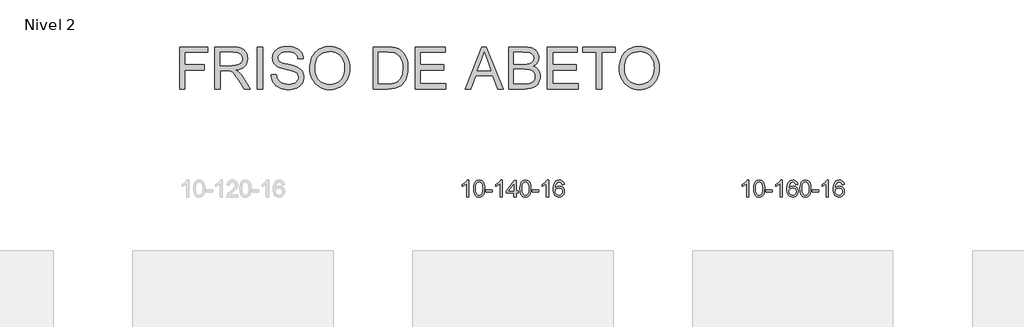
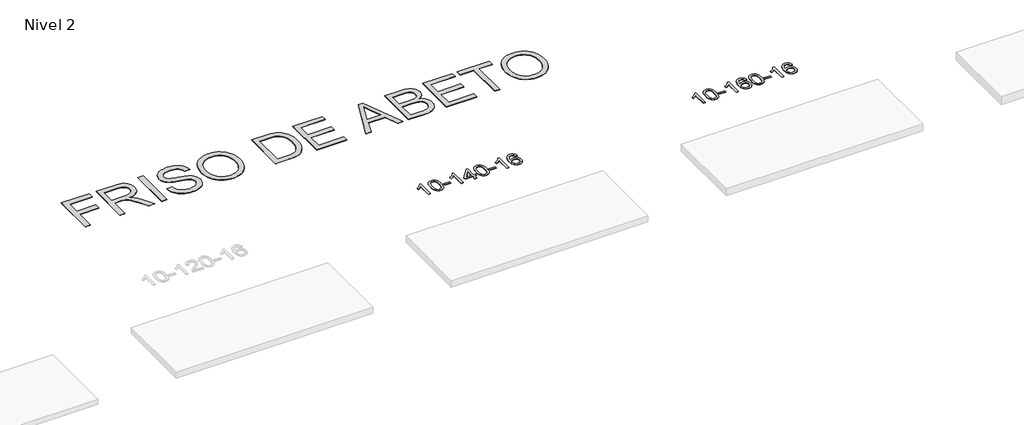
# One storey, part 50 of 51: 3 proxies.
"""IFC4 building model written with IfcOpenShell, lengths in millimetres."""

from ifc_helpers import new_model, si_unit, frame, origin, place, context, project, spatial, polyline, outline, extrude, element, save

model = new_model("IFC4")

# Units and contexts
model_context = context("Model", 3, world=origin())
ifc_project = project(units=[si_unit("LENGTHUNIT", "METRE", prefix="MILLI")], contexts=[model_context])

# Site, building, storey
site = spatial("IfcSite", under=ifc_project)
building = spatial("IfcBuilding", under=site)
storey = spatial("IfcBuildingStorey", under=building, Name="Nivel 2", Elevation=3000.0)

# Proxies
placement = place(None, origin())
element("IfcBuildingElementProxy", 1, Name="Texto de modelo 1", ObjectType="Texto de modelo 1", at=placement, inside=storey, context=model_context, shape_type="SweptSolid", body=[
    extrude(outline(polyline([(31530.5538842, 6619.2174648), (31480.3257291, 6619.2174648), (31480.3257291, 6932.3586191), (31459.3564554, 6915.3992591), (31432.7463244, 6898.4644246), (31379.869419, 6873.1050924), (31379.869419, 6920.5863952), (31419.3186316, 6942.0461783), (31453.494869, 6967.5771887), (31480.4360937, 6994.72688), (31498.1802686, 7021.0427054), (31530.5538842, 7021.0427054), (31530.5538842, 6619.2174648)])), frame((0.0, 0.0, 3000.0), z_axis=(0.0, 0.0, 1.0), x_axis=(1.0, 0.0, 0.0)), (0.0, 0.0, 1.0), 10.0),
    extrude(outline(polyline([(31649.8457525, 6816.8927235), (31653.5368352, 6881.210759), (31664.6100833, 6932.5057719), (31682.9551321, 6971.562577), (31694.8131951, 6986.7959573), (31708.4616171, 6999.1659894), (31723.9463834, 7008.7370526), (31741.3134792, 7015.5735264), (31781.6946596, 7021.0427054), (31812.6457981, 7017.8053438), (31840.3595751, 7008.0932591), (31863.5361408, 6992.2865961), (31880.8756455, 6970.7654994), (31893.9722445, 6943.71391), (31904.4200932, 6911.3157689), (31911.2626983, 6870.1742991), (31913.5435667, 6816.8927235), (31909.8892722, 6752.94257), (31898.9263887, 6701.7701845), (31880.6917045, 6662.6765911), (31868.8612327, 6647.3972256), (31855.2220077, 6634.9628142), (31839.7188473, 6625.3273716), (31822.2965691, 6618.4449126), (31781.6946596, 6612.9389454), (31754.0299335, 6615.3301783), (31729.5044672, 6622.5038773), (31708.1182606, 6634.4600421), (31689.8713136, 6651.1986729), (31672.3601306, 6681.456967), (31659.8521428, 6719.1587401), (31652.3473501, 6764.3039923), (31649.8457525, 6816.8927235)]), holes=[polyline([(31700.0739076, 6816.9908254), (31701.5454356, 6773.3262982), (31705.9600195, 6737.9820355), (31713.3176594, 6710.9580373), (31723.6183553, 6692.2543035), (31736.0772922, 6679.5286522), (31749.9096552, 6670.4389012), (31765.1154443, 6664.9850506), (31781.6946596, 6663.1671005), (31798.2738748, 6664.991182), (31813.479664, 6670.4634267), (31827.312027, 6679.5838345), (31839.7709639, 6692.3524054), (31850.0716598, 6711.086796), (31857.4292997, 6738.1046629), (31861.8438836, 6773.406006), (31863.3154116, 6816.9908254), (31861.8929345, 6859.4995899), (31857.6255034, 6894.2215189), (31850.5131181, 6921.1566123), (31840.5557788, 6940.3048702), (31828.3053084, 6953.6528552), (31814.3135298, 6963.1871303), (31798.5804432, 6968.9076953), (31781.1060484, 6970.8145503), (31764.6126723, 6969.1345558), (31749.6644005, 6964.0945725), (31736.2612332, 6955.6946003), (31724.4031702, 6943.9346392), (31713.7591178, 6923.0879928), (31706.1562232, 6894.9818083), (31701.5944865, 6859.6160859), (31700.0739076, 6816.9908254)])]), frame((0.0, 0.0, 3000.0), z_axis=(0.0, 0.0, 1.0), x_axis=(1.0, 0.0, 0.0)), (0.0, 0.0, 1.0), 10.0),
    extrude(outline(polyline([(31944.9361636, 6738.5093331), (31944.9361636, 6788.7374881), (32101.8991482, 6788.7374881), (32101.8991482, 6738.5093331), (31944.9361636, 6738.5093331)])), frame((0.0, 0.0, 3000.0), z_axis=(0.0, 0.0, 1.0), x_axis=(1.0, 0.0, 0.0)), (0.0, 0.0, 1.0), 10.0),
    extrude(outline(polyline([(32334.2043654, 6619.2174648), (32283.9762103, 6619.2174648), (32283.9762103, 6932.3586191), (32263.0069366, 6915.3992591), (32236.3968056, 6898.4644246), (32183.5199002, 6873.1050924), (32183.5199002, 6920.5863952), (32222.9691128, 6942.0461783), (32257.1453502, 6967.5771887), (32284.0865749, 6994.72688), (32301.8307498, 7021.0427054), (32334.2043654, 7021.0427054), (32334.2043654, 6619.2174648)])), frame((0.0, 0.0, 3000.0), z_axis=(0.0, 0.0, 1.0), x_axis=(1.0, 0.0, 0.0)), (0.0, 0.0, 1.0), 10.0),
    extrude(outline(polyline([(32616.7377377, 6619.2174648), (32616.7377377, 6713.3952555), (32434.6606756, 6713.3952555), (32434.6606756, 6763.6234106), (32629.2947765, 7014.764186), (32666.9658928, 7014.764186), (32666.9658928, 6763.6234106), (32717.1940479, 6763.6234106), (32717.1940479, 6713.3952555), (32666.9658928, 6713.3952555), (32666.9658928, 6619.2174648), (32616.7377377, 6619.2174648)]), holes=[polyline([(32616.7377377, 6763.6234106), (32616.7377377, 6918.8205616), (32496.4648507, 6763.6234106), (32616.7377377, 6763.6234106)])]), frame((0.0, 0.0, 3000.0), z_axis=(0.0, 0.0, 1.0), x_axis=(1.0, 0.0, 0.0)), (0.0, 0.0, 1.0), 10.0),
    extrude(outline(polyline([(32761.1436835, 6816.8927235), (32764.8347662, 6881.210759), (32775.9080143, 6932.5057719), (32794.2530631, 6971.562577), (32806.1111261, 6986.7959573), (32819.7595481, 6999.1659894), (32835.2443144, 7008.7370526), (32852.6114103, 7015.5735264), (32892.9925906, 7021.0427054), (32923.9437291, 7017.8053438), (32951.6575061, 7008.0932591), (32974.8340718, 6992.2865961), (32992.1735765, 6970.7654994), (33005.2701755, 6943.71391), (33015.7180242, 6911.3157689), (33022.5606293, 6870.1742991), (33024.8414977, 6816.8927235), (33021.1872032, 6752.94257), (33010.2243197, 6701.7701845), (32991.9896355, 6662.6765911), (32980.1591637, 6647.3972256), (32966.5199387, 6634.9628142), (32951.0167783, 6625.3273716), (32933.5945001, 6618.4449126), (32892.9925906, 6612.9389454), (32865.3278646, 6615.3301783), (32840.8023982, 6622.5038773), (32819.4161916, 6634.4600421), (32801.1692446, 6651.1986729), (32783.6580616, 6681.456967), (32771.1500738, 6719.1587401), (32763.6452811, 6764.3039923), (32761.1436835, 6816.8927235)]), holes=[polyline([(32811.3718386, 6816.9908254), (32812.8433666, 6773.3262982), (32817.2579505, 6737.9820355), (32824.6155904, 6710.9580373), (32834.9162863, 6692.2543035), (32847.3752232, 6679.5286522), (32861.2075862, 6670.4389012), (32876.4133754, 6664.9850506), (32892.9925906, 6663.1671005), (32909.5718059, 6664.991182), (32924.777595, 6670.4634267), (32938.609958, 6679.5838345), (32951.0688949, 6692.3524054), (32961.3695908, 6711.086796), (32968.7272307, 6738.1046629), (32973.1418146, 6773.406006), (32974.6133426, 6816.9908254), (32973.1908656, 6859.4995899), (32968.9234344, 6894.2215189), (32961.8110492, 6921.1566123), (32951.8537098, 6940.3048702), (32939.6032394, 6953.6528552), (32925.6114609, 6963.1871303), (32909.8783742, 6968.9076953), (32892.4039794, 6970.8145503), (32875.9106033, 6969.1345558), (32860.9623316, 6964.0945725), (32847.5591642, 6955.6946003), (32835.7011012, 6943.9346392), (32825.0570488, 6923.0879928), (32817.4541543, 6894.9818083), (32812.8924175, 6859.6160859), (32811.3718386, 6816.9908254)])]), frame((0.0, 0.0, 3000.0), z_axis=(0.0, 0.0, 1.0), x_axis=(1.0, 0.0, 0.0)), (0.0, 0.0, 1.0), 10.0),
    extrude(outline(polyline([(33056.2340946, 6738.5093331), (33056.2340946, 6788.7374881), (33213.1970792, 6788.7374881), (33213.1970792, 6738.5093331), (33056.2340946, 6738.5093331)])), frame((0.0, 0.0, 3000.0), z_axis=(0.0, 0.0, 1.0), x_axis=(1.0, 0.0, 0.0)), (0.0, 0.0, 1.0), 10.0),
    extrude(outline(polyline([(33445.5022964, 6619.2174648), (33395.2741414, 6619.2174648), (33395.2741414, 6932.3586191), (33374.3048676, 6915.3992591), (33347.6947367, 6898.4644246), (33294.8178312, 6873.1050924), (33294.8178312, 6920.5863952), (33334.2670438, 6942.0461783), (33368.4432812, 6967.5771887), (33395.384506, 6994.72688), (33413.1286809, 7021.0427054), (33445.5022964, 7021.0427054), (33445.5022964, 6619.2174648)])), frame((0.0, 0.0, 3000.0), z_axis=(0.0, 0.0, 1.0), x_axis=(1.0, 0.0, 0.0)), (0.0, 0.0, 1.0), 10.0),
    extrude(outline(polyline([(33822.2134595, 6914.3078758), (33771.9853044, 6908.0293564), (33763.8919005, 6932.9227048), (33752.9535425, 6949.918853), (33730.1693843, 6965.590626), (33702.6272856, 6970.8145503), (33679.2790416, 6967.7733925), (33657.3042238, 6958.649919), (33638.4318774, 6939.4342161), (33623.0176218, 6912.9835006), (33612.6065614, 6875.5699017), (33608.7438004, 6823.4655485), (33628.891471, 6846.973208), (33653.0367927, 6863.5401605), (33679.8308646, 6873.3626098), (33707.9247863, 6876.6367595), (33732.0578452, 6874.3988107), (33754.3269687, 6867.6849643), (33774.7321567, 6856.4952203), (33793.2734092, 6840.8295787), (33808.6815334, 6821.6200071), (33819.6873365, 6799.7984735), (33826.2908183, 6775.3649776), (33828.4919789, 6748.3195196), (33824.3471751, 6712.3529232), (33811.9127636, 6679.0105517), (33792.2188142, 6650.732689), (33766.2953962, 6629.959619), (33735.3197322, 6617.1941138), (33700.4690446, 6612.9389454), (33670.5265158, 6615.759374), (33643.4841235, 6624.2206599), (33619.3418676, 6638.322803), (33598.099748, 6658.0658035), (33580.7817031, 6684.283527), (33568.411671, 6717.8098395), (33560.9896518, 6758.6447409), (33558.5156454, 6806.7882314), (33561.2624976, 6860.7626514), (33569.5030543, 6906.8276086), (33583.2373154, 6944.9831029), (33602.465281, 6975.2291342), (33623.3057961, 6995.2725716), (33647.4695118, 7009.5893126), (33674.9564282, 7018.1793572), (33705.7665453, 7021.0427054), (33728.9001914, 7019.2707404), (33749.8388083, 7013.9548456), (33768.582396, 7005.0950209), (33785.1309544, 6992.6912663), (33799.0368938, 6977.1605147), (33809.8526245, 6958.9196991), (33817.5781464, 6937.9688195), (33822.2134595, 6914.3078758)]), holes=[polyline([(33608.7438004, 6749.1043345), (33611.6500682, 6726.8474738), (33620.3688715, 6705.5961572), (33633.9069289, 6687.3246848), (33651.2709591, 6674.0073566), (33672.2279701, 6665.8771645), (33696.5449699, 6663.1671005), (33729.6911377, 6668.7834322), (33743.6062742, 6675.803847), (33755.7494457, 6685.6324276), (33765.5994861, 6697.8706353), (33772.6352293, 6712.1199313), (33778.2638238, 6746.6517879), (33772.7088057, 6779.7979557), (33765.765033, 6793.4187865), (33756.0437513, 6805.0714487), (33743.8637916, 6814.4064544), (33729.5439849, 6821.0743155), (33694.4848308, 6826.4086044), (33661.3877139, 6821.0743155), (33633.7107252, 6805.0714487), (33622.7876956, 6793.5720707), (33614.9855316, 6780.4110923), (33610.3042332, 6765.5885136), (33608.7438004, 6749.1043345)])]), frame((0.0, 0.0, 3000.0), z_axis=(0.0, 0.0, 1.0), x_axis=(1.0, 0.0, 0.0)), (0.0, 0.0, 1.0), 10.0),
])
element("IfcBuildingElementProxy", 2, Name="Texto de modelo 1", ObjectType="Texto de modelo 1", at=placement, inside=storey, context=model_context, shape_type="SweptSolid", body=[
    extrude(outline(polyline([(38245.494419, 6619.2174648), (38195.266264, 6619.2174648), (38195.266264, 6932.3586191), (38174.2969902, 6915.3992591), (38147.6868593, 6898.4644246), (38094.8099538, 6873.1050924), (38094.8099538, 6920.5863952), (38134.2591664, 6942.0461783), (38168.4354038, 6967.5771887), (38195.3766286, 6994.72688), (38213.1208035, 7021.0427054), (38245.494419, 7021.0427054), (38245.494419, 6619.2174648)])), frame((0.0, 0.0, 3000.0), z_axis=(0.0, 0.0, 1.0), x_axis=(1.0, 0.0, 0.0)), (0.0, 0.0, 1.0), 10.0),
    extrude(outline(polyline([(38364.7862873, 6816.8927235), (38368.47737, 6881.210759), (38379.5506181, 6932.5057719), (38397.8956669, 6971.562577), (38409.7537299, 6986.7959573), (38423.4021519, 6999.1659894), (38438.8869182, 7008.7370526), (38456.2540141, 7015.5735264), (38496.6351944, 7021.0427054), (38527.5863329, 7017.8053438), (38555.3001099, 7008.0932591), (38578.4766756, 6992.2865961), (38595.8161803, 6970.7654994), (38608.9127793, 6943.71391), (38619.360628, 6911.3157689), (38626.2032331, 6870.1742991), (38628.4841015, 6816.8927235), (38624.829807, 6752.94257), (38613.8669235, 6701.7701845), (38595.6322393, 6662.6765911), (38583.8017675, 6647.3972256), (38570.1625425, 6634.9628142), (38554.6593821, 6625.3273716), (38537.2371039, 6618.4449126), (38496.6351944, 6612.9389454), (38468.9704684, 6615.3301783), (38444.445002, 6622.5038773), (38423.0587954, 6634.4600421), (38404.8118484, 6651.1986729), (38387.3006654, 6681.456967), (38374.7926776, 6719.1587401), (38367.2878849, 6764.3039923), (38364.7862873, 6816.8927235)]), holes=[polyline([(38415.0144424, 6816.9908254), (38416.4859704, 6773.3262982), (38420.9005543, 6737.9820355), (38428.2581942, 6710.9580373), (38438.5588901, 6692.2543035), (38451.017827, 6679.5286522), (38464.85019, 6670.4389012), (38480.0559792, 6664.9850506), (38496.6351944, 6663.1671005), (38513.2144097, 6664.991182), (38528.4201988, 6670.4634267), (38542.2525618, 6679.5838345), (38554.7114987, 6692.3524054), (38565.0121946, 6711.086796), (38572.3698345, 6738.1046629), (38576.7844184, 6773.406006), (38578.2559464, 6816.9908254), (38576.8334694, 6859.4995899), (38572.5660382, 6894.2215189), (38565.453653, 6921.1566123), (38555.4963136, 6940.3048702), (38543.2458432, 6953.6528552), (38529.2540646, 6963.1871303), (38513.520978, 6968.9076953), (38496.0465832, 6970.8145503), (38479.5532071, 6969.1345558), (38464.6049354, 6964.0945725), (38451.201768, 6955.6946003), (38439.343705, 6943.9346392), (38428.6996526, 6923.0879928), (38421.0967581, 6894.9818083), (38416.5350213, 6859.6160859), (38415.0144424, 6816.9908254)])]), frame((0.0, 0.0, 3000.0), z_axis=(0.0, 0.0, 1.0), x_axis=(1.0, 0.0, 0.0)), (0.0, 0.0, 1.0), 10.0),
    extrude(outline(polyline([(38659.8766984, 6738.5093331), (38659.8766984, 6788.7374881), (38816.839683, 6788.7374881), (38816.839683, 6738.5093331), (38659.8766984, 6738.5093331)])), frame((0.0, 0.0, 3000.0), z_axis=(0.0, 0.0, 1.0), x_axis=(1.0, 0.0, 0.0)), (0.0, 0.0, 1.0), 10.0),
    extrude(outline(polyline([(39049.1449002, 6619.2174648), (38998.9167452, 6619.2174648), (38998.9167452, 6932.3586191), (38977.9474714, 6915.3992591), (38951.3373404, 6898.4644246), (38898.460435, 6873.1050924), (38898.460435, 6920.5863952), (38937.9096476, 6942.0461783), (38972.085885, 6967.5771887), (38999.0271098, 6994.72688), (39016.7712847, 7021.0427054), (39049.1449002, 7021.0427054), (39049.1449002, 6619.2174648)])), frame((0.0, 0.0, 3000.0), z_axis=(0.0, 0.0, 1.0), x_axis=(1.0, 0.0, 0.0)), (0.0, 0.0, 1.0), 10.0),
    extrude(outline(polyline([(39425.8560633, 6914.3078758), (39375.6279082, 6908.0293564), (39367.5345043, 6932.9227048), (39356.5961463, 6949.918853), (39333.8119881, 6965.590626), (39306.2698894, 6970.8145503), (39282.9216454, 6967.7733925), (39260.9468276, 6958.649919), (39242.0744812, 6939.4342161), (39226.6602256, 6912.9835006), (39216.2491652, 6875.5699017), (39212.3864042, 6823.4655485), (39232.5340748, 6846.973208), (39256.6793964, 6863.5401605), (39283.4734684, 6873.3626098), (39311.5673901, 6876.6367595), (39335.700449, 6874.3988107), (39357.9695725, 6867.6849643), (39378.3747604, 6856.4952203), (39396.916013, 6840.8295787), (39412.3241372, 6821.6200071), (39423.3299403, 6799.7984735), (39429.9334221, 6775.3649776), (39432.1345827, 6748.3195196), (39427.9897789, 6712.3529232), (39415.5553674, 6679.0105517), (39395.861418, 6650.732689), (39369.938, 6629.959619), (39338.962336, 6617.1941138), (39304.1116484, 6612.9389454), (39274.1691196, 6615.759374), (39247.1267273, 6624.2206599), (39222.9844714, 6638.322803), (39201.7423518, 6658.0658035), (39184.4243069, 6684.283527), (39172.0542748, 6717.8098395), (39164.6322556, 6758.6447409), (39162.1582492, 6806.7882314), (39164.9051014, 6860.7626514), (39173.1456581, 6906.8276086), (39186.8799192, 6944.9831029), (39206.1078848, 6975.2291342), (39226.9483999, 6995.2725716), (39251.1121156, 7009.5893126), (39278.599032, 7018.1793572), (39309.4091491, 7021.0427054), (39332.5427952, 7019.2707404), (39353.4814121, 7013.9548456), (39372.2249998, 7005.0950209), (39388.7735582, 6992.6912663), (39402.6794976, 6977.1605147), (39413.4952283, 6958.9196991), (39421.2207502, 6937.9688195), (39425.8560633, 6914.3078758)]), holes=[polyline([(39212.3864042, 6749.1043345), (39215.292672, 6726.8474738), (39224.0114753, 6705.5961572), (39237.5495327, 6687.3246848), (39254.9135629, 6674.0073566), (39275.8705739, 6665.8771645), (39300.1875737, 6663.1671005), (39333.3337415, 6668.7834322), (39347.248878, 6675.803847), (39359.3920495, 6685.6324276), (39369.2420899, 6697.8706353), (39376.2778331, 6712.1199313), (39381.9064276, 6746.6517879), (39376.3514095, 6779.7979557), (39369.4076368, 6793.4187865), (39359.6863551, 6805.0714487), (39347.5063954, 6814.4064544), (39333.1865887, 6821.0743155), (39298.1274346, 6826.4086044), (39265.0303177, 6821.0743155), (39237.353329, 6805.0714487), (39226.4302994, 6793.5720707), (39218.6281354, 6780.4110923), (39213.946837, 6765.5885136), (39212.3864042, 6749.1043345)])]), frame((0.0, 0.0, 3000.0), z_axis=(0.0, 0.0, 1.0), x_axis=(1.0, 0.0, 0.0)), (0.0, 0.0, 1.0), 10.0),
    extrude(outline(polyline([(39476.0842184, 6816.8927235), (39479.7753011, 6881.210759), (39490.8485491, 6932.5057719), (39509.1935979, 6971.562577), (39521.0516609, 6986.7959573), (39534.7000829, 6999.1659894), (39550.1848492, 7008.7370526), (39567.5519451, 7015.5735264), (39607.9331254, 7021.0427054), (39638.884264, 7017.8053438), (39666.5980409, 7008.0932591), (39689.7746066, 6992.2865961), (39707.1141113, 6970.7654994), (39720.2107104, 6943.71391), (39730.658559, 6911.3157689), (39737.5011641, 6870.1742991), (39739.7820325, 6816.8927235), (39736.127738, 6752.94257), (39725.1648546, 6701.7701845), (39706.9301703, 6662.6765911), (39695.0996985, 6647.3972256), (39681.4604735, 6634.9628142), (39665.9573131, 6625.3273716), (39648.535035, 6618.4449126), (39607.9331254, 6612.9389454), (39580.2683994, 6615.3301783), (39555.7429331, 6622.5038773), (39534.3567264, 6634.4600421), (39516.1097794, 6651.1986729), (39498.5985965, 6681.456967), (39486.0906086, 6719.1587401), (39478.5858159, 6764.3039923), (39476.0842184, 6816.8927235)]), holes=[polyline([(39526.3123734, 6816.9908254), (39527.7839014, 6773.3262982), (39532.1984854, 6737.9820355), (39539.5561253, 6710.9580373), (39549.8568211, 6692.2543035), (39562.315758, 6679.5286522), (39576.1481211, 6670.4389012), (39591.3539102, 6664.9850506), (39607.9331254, 6663.1671005), (39624.5123407, 6664.991182), (39639.7181298, 6670.4634267), (39653.5504928, 6679.5838345), (39666.0094297, 6692.3524054), (39676.3101256, 6711.086796), (39683.6677655, 6738.1046629), (39688.0823495, 6773.406006), (39689.5538774, 6816.9908254), (39688.1314004, 6859.4995899), (39683.8639692, 6894.2215189), (39676.751584, 6921.1566123), (39666.7942447, 6940.3048702), (39654.5437742, 6953.6528552), (39640.5519957, 6963.1871303), (39624.818909, 6968.9076953), (39607.3445142, 6970.8145503), (39590.8511381, 6969.1345558), (39575.9028664, 6964.0945725), (39562.499699, 6955.6946003), (39550.6416361, 6943.9346392), (39539.9975837, 6923.0879928), (39532.3946891, 6894.9818083), (39527.8329524, 6859.6160859), (39526.3123734, 6816.9908254)])]), frame((0.0, 0.0, 3000.0), z_axis=(0.0, 0.0, 1.0), x_axis=(1.0, 0.0, 0.0)), (0.0, 0.0, 1.0), 10.0),
    extrude(outline(polyline([(39771.1746294, 6738.5093331), (39771.1746294, 6788.7374881), (39928.137614, 6788.7374881), (39928.137614, 6738.5093331), (39771.1746294, 6738.5093331)])), frame((0.0, 0.0, 3000.0), z_axis=(0.0, 0.0, 1.0), x_axis=(1.0, 0.0, 0.0)), (0.0, 0.0, 1.0), 10.0),
    extrude(outline(polyline([(40160.4428313, 6619.2174648), (40110.2146762, 6619.2174648), (40110.2146762, 6932.3586191), (40089.2454025, 6915.3992591), (40062.6352715, 6898.4644246), (40009.758366, 6873.1050924), (40009.758366, 6920.5863952), (40049.2075787, 6942.0461783), (40083.383816, 6967.5771887), (40110.3250408, 6994.72688), (40128.0692157, 7021.0427054), (40160.4428313, 7021.0427054), (40160.4428313, 6619.2174648)])), frame((0.0, 0.0, 3000.0), z_axis=(0.0, 0.0, 1.0), x_axis=(1.0, 0.0, 0.0)), (0.0, 0.0, 1.0), 10.0),
    extrude(outline(polyline([(40537.1539943, 6914.3078758), (40486.9258392, 6908.0293564), (40478.8324354, 6932.9227048), (40467.8940774, 6949.918853), (40445.1099191, 6965.590626), (40417.5678204, 6970.8145503), (40394.2195765, 6967.7733925), (40372.2447586, 6958.649919), (40353.3724123, 6939.4342161), (40337.9581567, 6912.9835006), (40327.5470962, 6875.5699017), (40323.6843353, 6823.4655485), (40343.8320059, 6846.973208), (40367.9773275, 6863.5401605), (40394.7713995, 6873.3626098), (40422.8653212, 6876.6367595), (40446.99838, 6874.3988107), (40469.2675035, 6867.6849643), (40489.6726915, 6856.4952203), (40508.213944, 6840.8295787), (40523.6220683, 6821.6200071), (40534.6278713, 6799.7984735), (40541.2313531, 6775.3649776), (40543.4325137, 6748.3195196), (40539.2877099, 6712.3529232), (40526.8532985, 6679.0105517), (40507.159349, 6650.732689), (40481.2359311, 6629.959619), (40450.2602671, 6617.1941138), (40415.4095794, 6612.9389454), (40385.4670507, 6615.759374), (40358.4246583, 6624.2206599), (40334.2824024, 6638.322803), (40313.0402829, 6658.0658035), (40295.7222379, 6684.283527), (40283.3522059, 6717.8098395), (40275.9301866, 6758.6447409), (40273.4561802, 6806.7882314), (40276.2030324, 6860.7626514), (40284.4435891, 6906.8276086), (40298.1778503, 6944.9831029), (40317.4058159, 6975.2291342), (40338.2463309, 6995.2725716), (40362.4100466, 7009.5893126), (40389.896963, 7018.1793572), (40420.7070801, 7021.0427054), (40443.8407262, 7019.2707404), (40464.7793431, 7013.9548456), (40483.5229308, 7005.0950209), (40500.0714892, 6992.6912663), (40513.9774286, 6977.1605147), (40524.7931593, 6958.9196991), (40532.5186812, 6937.9688195), (40537.1539943, 6914.3078758)]), holes=[polyline([(40323.6843353, 6749.1043345), (40326.590603, 6726.8474738), (40335.3094063, 6705.5961572), (40348.8474637, 6687.3246848), (40366.2114939, 6674.0073566), (40387.1685049, 6665.8771645), (40411.4855048, 6663.1671005), (40444.6316725, 6668.7834322), (40458.546809, 6675.803847), (40470.6899805, 6685.6324276), (40480.5400209, 6697.8706353), (40487.5757641, 6712.1199313), (40493.2043586, 6746.6517879), (40487.6493405, 6779.7979557), (40480.7055678, 6793.4187865), (40470.9842861, 6805.0714487), (40458.8043264, 6814.4064544), (40444.4845197, 6821.0743155), (40409.4253656, 6826.4086044), (40376.3282488, 6821.0743155), (40348.65126, 6805.0714487), (40337.7282304, 6793.5720707), (40329.9260664, 6780.4110923), (40325.2447681, 6765.5885136), (40323.6843353, 6749.1043345)])]), frame((0.0, 0.0, 3000.0), z_axis=(0.0, 0.0, 1.0), x_axis=(1.0, 0.0, 0.0)), (0.0, 0.0, 1.0), 10.0),
])
element("IfcBuildingElementProxy", 3, Name="Texto de modelo 2", ObjectType="Texto de modelo 2", at=placement, inside=storey, context=model_context, shape_type="SweptSolid", body=[
    extrude(outline(polyline([(24595.9824948, 9210.7506442), (24595.9824948, 10215.3137457), (25270.9233286, 10215.3137457), (25270.9233286, 10089.743358), (24721.5528825, 10089.743358), (24721.5528825, 9791.5136872), (25192.4418363, 9791.5136872), (25192.4418363, 9665.9432995), (24721.5528825, 9665.9432995), (24721.5528825, 9210.7506442), (24595.9824948, 9210.7506442)])), frame((0.0, 0.0, 3000.0), z_axis=(0.0, 0.0, 1.0), x_axis=(1.0, 0.0, 0.0)), (0.0, 0.0, 1.0), 10.0),
    extrude(outline(polyline([(25443.5826117, 9210.7506442), (25443.5826117, 10215.3137457), (25876.4570927, 10215.3137457), (25938.5908288, 10213.6199556), (25992.7997736, 10208.5385856), (26039.0839272, 10200.0696355), (26077.4432894, 10188.2131053), (26110.1081449, 10172.0569544), (26139.3087782, 10150.6891418), (26165.0451895, 10124.1096677), (26187.3173786, 10092.3185319), (26205.2899469, 10057.024853), (26218.1274957, 10019.9377494), (26225.830025, 9981.057221), (26228.3975347, 9940.3832679), (26224.1438992, 9888.7878181), (26211.3829925, 9841.4230112), (26190.1148146, 9798.2888473), (26160.3393656, 9759.3853263), (26121.6734351, 9725.95405), (26073.7338126, 9699.2366201), (26016.5204981, 9679.2330366), (25950.0334917, 9665.9432995), (25991.4202162, 9638.9039729), (26021.4025988, 9612.2325282), (26072.8447644, 9551.2254307), (26123.1832841, 9482.9833206), (26290.6922192, 9210.7506442), (26144.7656945, 9210.7506442), (26014.0449589, 9418.9718534), (25961.7444019, 9498.4343644), (25919.6219134, 9556.8049743), (25884.5198397, 9596.9960823), (25853.280527, 9621.9200874), (25823.6966832, 9636.5433967), (25793.5610164, 9645.8324171), (25720.7203814, 9650.2470011), (25569.1529994, 9650.2470011), (25569.1529994, 9210.7506442), (25443.5826117, 9210.7506442)]), holes=[polyline([(25569.1529994, 9775.8173887), (25850.2148437, 9775.8173887), (25930.9342848, 9780.2626295), (25993.5661945, 9793.5983518), (26018.7507827, 9803.8224056), (26040.7164035, 9816.7136039), (26059.4630569, 9832.2719466), (26074.9907427, 9850.4974338), (26087.1691696, 9870.493353), (26095.868046, 9891.3629921), (26101.0873718, 9913.1063508), (26102.827147, 9935.7234293), (26099.5085449, 9967.8364618), (26089.5527384, 9996.9757815), (26072.9597276, 10023.1413884), (26049.7295124, 10046.3332825), (26019.3255983, 10065.3251905), (25981.2114908, 10078.8908391), (25935.3871898, 10087.0302283), (25881.8526953, 10089.743358), (25569.1529994, 10089.743358), (25569.1529994, 9775.8173887)])]), frame((0.0, 0.0, 3000.0), z_axis=(0.0, 0.0, 1.0), x_axis=(1.0, 0.0, 0.0)), (0.0, 0.0, 1.0), 10.0),
    extrude(outline(polyline([(26463.8420116, 9210.7506442), (26463.8420116, 10215.3137457), (26589.4123993, 10215.3137457), (26589.4123993, 9210.7506442), (26463.8420116, 9210.7506442)])), frame((0.0, 0.0, 3000.0), z_axis=(0.0, 0.0, 1.0), x_axis=(1.0, 0.0, 0.0)), (0.0, 0.0, 1.0), 10.0),
    extrude(outline(polyline([(26793.4642793, 9556.0692103), (26919.034667, 9556.0692103), (26924.7828232, 9519.5186012), (26933.4433785, 9486.386229), (26945.0163329, 9456.6720937), (26959.5016865, 9430.3761953), (26977.6352032, 9406.9697033), (27000.1526469, 9385.9237875), (27027.0540178, 9367.2384479), (27058.3393158, 9350.9136843), (27092.8589097, 9337.6622683), (27129.4631682, 9328.1969711), (27168.1520914, 9322.5177928), (27208.9256792, 9320.6247334), (27278.884572, 9326.3575611), (27310.5990656, 9333.5235958), (27340.1369242, 9343.5560444), (27366.7700478, 9356.0946891), (27389.7703367, 9370.7793121), (27409.1377909, 9387.6099133), (27424.8724104, 9406.5864929), (27437.0508373, 9426.8889805), (27445.7497136, 9447.6973059), (27450.9690394, 9469.011469), (27452.7088147, 9490.8314698), (27447.4971531, 9532.8619878), (27431.8621683, 9569.1903348), (27418.710387, 9585.3081647), (27400.1016894, 9600.1843929), (27376.0360755, 9613.8190193), (27346.5135454, 9626.212044), (27280.2028158, 9645.9243876), (27163.6761938, 9674.1593307), (27043.6546929, 9705.8891528), (26999.8537428, 9721.1792483), (26966.8593264, 9736.0861333), (26933.3284154, 9756.0897168), (26904.350044, 9778.331249), (26879.9242124, 9802.8107301), (26860.0509204, 9829.52816), (26844.6535261, 9858.2076273), (26833.6553873, 9888.5732203), (26827.056504, 9920.6249391), (26824.8568762, 9954.3627837), (26827.5776702, 9991.7564557), (26835.7400519, 10027.9085259), (26849.3440215, 10062.8189944), (26868.389579, 10096.4878612), (26892.6621265, 10127.543233), (26921.9470661, 10154.6132164), (26956.244398, 10177.6978116), (26995.554122, 10196.7970186), (27038.5503302, 10211.7652172), (27083.9071145, 10222.4567877), (27131.624475, 10228.87173), (27181.7024116, 10231.0100441), (27236.3328878, 10228.7720953), (27287.6524262, 10222.0582489), (27335.6610265, 10210.8685049), (27380.358689, 10195.2028633), (27420.9176789, 10175.1992798), (27456.510262, 10150.9957102), (27487.1364381, 10122.5921545), (27512.7962072, 10089.9886126), (27533.2903, 10054.1354465), (27548.4194471, 10015.9830179), (27558.1836484, 9975.5313269), (27562.5829039, 9932.7803734), (27437.0125162, 9932.7803734), (27428.612544, 9972.848854), (27413.9585779, 10007.705673), (27393.0506178, 10037.3508305), (27365.8886638, 10061.7843263), (27331.9668782, 10080.8835332), (27290.7794231, 10094.5258239), (27242.3262987, 10102.7111983), (27186.6075048, 10105.4396564), (27129.1106147, 10102.7418551), (27079.9830399, 10094.6484512), (27039.2247805, 10081.1594447), (27006.8358365, 10062.2748357), (26982.157086, 10039.5734509), (26964.5294071, 10014.6341173), (26953.9527997, 9987.4568349), (26950.4272639, 9958.0416037), (26952.9257958, 9932.7343881), (26960.4213915, 9909.7877487), (26972.9140509, 9889.2016853), (26990.4037741, 9870.9761982), (27017.93361, 9853.7164012), (27061.2823718, 9836.2726633), (27120.4500594, 9818.6449844), (27195.4366727, 9800.8333644), (27333.8829302, 9767.1721619), (27382.5966378, 9751.9510443), (27417.6373978, 9737.8029159), (27456.1347158, 9716.3584613), (27489.2211027, 9692.2468622), (27516.8965586, 9665.4681186), (27539.1610835, 9636.0222306), (27556.2752605, 9604.0624823), (27568.4996727, 9569.7421578), (27575.8343199, 9533.0612572), (27578.2792024, 9494.0197804), (27575.4664379, 9454.7407133), (27567.0281447, 9416.6112773), (27552.9643226, 9379.6314726), (27533.2749716, 9343.8012991), (27508.3049812, 9310.5079785), (27478.3992407, 9281.1387326), (27443.55775, 9255.6935612), (27403.7805093, 9234.1724645), (27360.2248139, 9217.0582875), (27314.0479593, 9204.8338754), (27265.2499455, 9197.4992281), (27213.8307725, 9195.0543457), (27149.5970433, 9197.6908333), (27090.8049019, 9205.6002962), (27037.4543484, 9218.7827344), (26989.5453827, 9237.2381478), (26946.786765, 9260.9971933), (26908.8872553, 9290.0905278), (26875.8468536, 9324.5181512), (26847.6655599, 9364.2800635), (26824.9641752, 9408.0886777), (26808.3635001, 9454.656407), (26797.8635348, 9503.9832511), (26793.4642793, 9556.0692103)])), frame((0.0, 0.0, 3000.0), z_axis=(0.0, 0.0, 1.0), x_axis=(1.0, 0.0, 0.0)), (0.0, 0.0, 1.0), 10.0),
    extrude(outline(polyline([(27719.5458885, 9699.7884431), (27721.6382174, 9760.3931697), (27727.9152039, 9817.6179805), (27738.3768481, 9871.4628754), (27753.0231501, 9921.9278545), (27771.8541097, 9969.0129178), (27794.869727, 10012.7180652), (27822.070002, 10053.0432968), (27853.4549348, 10089.9886126), (27888.1469733, 10123.0405106), (27925.2685659, 10151.6854889), (27964.8197125, 10175.9235474), (28006.8004131, 10195.7546862), (28051.2106677, 10211.1789053), (28098.0504763, 10222.1962046), (28147.3198389, 10228.8065842), (28199.0187556, 10231.0100441), (28266.6017438, 10226.8713717), (28330.7818235, 10214.4553543), (28391.5589948, 10193.7619921), (28448.9332576, 10164.791285), (28501.2951283, 10128.4169527), (28547.035123, 10085.512715), (28586.1532418, 10036.0785719), (28618.6494847, 9980.1145234), (28644.1866266, 9918.892828), (28662.4274421, 9853.6857444), (28673.3719315, 9784.4932725), (28677.0200946, 9711.3154123), (28673.1803263, 9637.1718618), (28661.6610213, 9567.0443565), (28642.4621797, 9500.9328963), (28615.5838014, 9438.8374812), (28581.6620158, 9382.3982517), (28541.3329521, 9333.2553486), (28494.5966103, 9291.4087716), (28441.4529904, 9256.8585209), (28383.9944213, 9229.8191942), (28324.3132317, 9210.5053895), (28262.4094219, 9198.9171066), (28198.2829916, 9195.0543457), (28129.5197153, 9199.3233097), (28064.4965727, 9212.1302016), (28003.2135636, 9233.4750216), (27945.6706882, 9263.3577695), (27893.3701312, 9300.6211499), (27847.8140775, 9344.1078674), (27809.002527, 9393.817922), (27776.9354798, 9449.7513137), (27751.8275336, 9509.6624294), (27733.8932863, 9571.3056563), (27723.132738, 9634.6809941), (27719.5458885, 9699.7884431)]), holes=[polyline([(27845.1162762, 9698.5621698), (27846.6855228, 9655.7690631), (27851.3932627, 9615.3135399), (27859.2394959, 9577.1956003), (27870.2242224, 9541.4152442), (27884.3474421, 9507.9724715), (27901.6091551, 9476.8672824), (27922.0093613, 9448.0996768), (27945.5480609, 9421.6696547), (27971.4550008, 9397.9872513), (27998.9599281, 9377.4625016), (28028.0628428, 9360.0954058), (28058.7637449, 9345.8859637), (28091.0626344, 9334.8341754), (28124.9595114, 9326.940041), (28160.4543758, 9322.2035603), (28197.5472276, 9320.6247334), (28235.3183618, 9322.2188887), (28271.3765455, 9327.0013546), (28305.7217786, 9334.9721312), (28338.3540612, 9346.1312184), (28369.2733933, 9360.4786162), (28398.4797748, 9378.0143246), (28425.9732058, 9398.7383437), (28451.7536862, 9422.6506734), (28475.1199411, 9449.4945627), (28495.3706953, 9479.0132607), (28512.5059489, 9511.2067674), (28526.5257018, 9546.0750828), (28537.429954, 9583.6182068), (28545.2187056, 9623.8361395), (28549.8919566, 9666.7288809), (28551.4497069, 9712.2964309), (28548.7825625, 9769.7626642), (28540.7811291, 9823.4581071), (28527.4454068, 9873.3827596), (28508.7753955, 9919.5366215), (28484.9780289, 9961.3142206), (28456.2602407, 9998.1100843), (28422.6220308, 10029.9242127), (28384.0633991, 10056.7566057), (28341.7799623, 10078.0554404), (28296.9673368, 10093.2688938), (28249.6255225, 10102.3969658), (28199.7545195, 10105.4396564), (28129.6883279, 10099.5765371), (28064.6805137, 10081.9871792), (28034.0734981, 10068.7951608), (28004.7310769, 10052.6715827), (27949.8400175, 10011.6297477), (27925.2953906, 9986.2171492), (27904.0233807, 9956.8843083), (27886.0239876, 9923.6312248), (27871.2972115, 9886.4578988), (27859.8430523, 9845.3643303), (27851.66151, 9800.3505193), (27846.7525847, 9751.4164658), (27845.1162762, 9698.5621698)])]), frame((0.0, 0.0, 3000.0), z_axis=(0.0, 0.0, 1.0), x_axis=(1.0, 0.0, 0.0)), (0.0, 0.0, 1.0), 10.0),
    extrude(outline(polyline([(29242.0868392, 9210.7506442), (29242.0868392, 10215.3137457), (29588.6316787, 10215.3137457), (29692.1904603, 10211.6962394), (29767.9128377, 10200.8437205), (29809.5141599, 10188.9028841), (29847.9884853, 10172.9460025), (29883.3358136, 10152.9730759), (29915.5561451, 10128.9841041), (29952.7888686, 10093.0542959), (29985.0245285, 10052.4646491), (30012.2631245, 10007.2151637), (30034.5046568, 9957.3058397), (30051.7797822, 9903.1965296), (30064.1191574, 9845.3470858), (30071.5227826, 9783.7575085), (30073.9906576, 9718.4277975), (30072.3198602, 9662.9006089), (30067.3074681, 9610.6077161), (30058.9534811, 9561.5491192), (30047.2578993, 9515.7248182), (30016.7236937, 9434.9440634), (29998.6055055, 9400.2788495), (29978.5865936, 9369.4304114), (29934.6860088, 9317.7123343), (29886.8613494, 9278.3183039), (29831.9549616, 9249.1023422), (29766.8091917, 9227.9184706), (29691.3014122, 9215.0426008), (29605.3089958, 9210.7506442), (29242.0868392, 9210.7506442)]), holes=[polyline([(29367.6572269, 9336.3210318), (29589.857952, 9336.3210318), (29681.7671371, 9340.8582431), (29719.3983995, 9346.5297572), (29751.4807752, 9354.4698769), (29804.0879005, 9376.3588557), (29825.8849087, 9390.1084452), (29844.6775473, 9405.7281016), (29867.8464488, 9430.9050256), (29888.3022206, 9460.0826664), (29906.0448626, 9493.2610238), (29921.074375, 9530.440098), (29933.038204, 9571.6965309), (29941.5837962, 9617.1069647), (29946.7111515, 9666.6713993), (29948.42027, 9720.3898348), (29945.071011, 9793.2917835), (29935.023234, 9857.241937), (29918.276939, 9912.2402953), (29894.832126, 9958.2868584), (29866.5895187, 9996.4239585), (29835.4498406, 10027.6939281), (29801.4130918, 10052.0967671), (29764.4792724, 10069.6324756), (29732.5655093, 10078.4309866), (29692.251774, 10084.7156374), (29586.4243867, 10089.743358), (29367.6572269, 10089.743358), (29367.6572269, 9336.3210318)])]), frame((0.0, 0.0, 3000.0), z_axis=(0.0, 0.0, 1.0), x_axis=(1.0, 0.0, 0.0)), (0.0, 0.0, 1.0), 10.0),
    extrude(outline(polyline([(30246.6499407, 9210.7506442), (30246.6499407, 10215.3137457), (30968.6796699, 10215.3137457), (30968.6796699, 10089.743358), (30372.2203284, 10089.743358), (30372.2203284, 9791.5136872), (30937.287073, 9791.5136872), (30937.287073, 9665.9432995), (30372.2203284, 9665.9432995), (30372.2203284, 9336.3210318), (30984.3759684, 9336.3210318), (30984.3759684, 9210.7506442), (30246.6499407, 9210.7506442)])), frame((0.0, 0.0, 3000.0), z_axis=(0.0, 0.0, 1.0), x_axis=(1.0, 0.0, 0.0)), (0.0, 0.0, 1.0), 10.0),
    extrude(outline(polyline([(31448.152537, 9210.7506442), (31849.1439117, 10215.3137457), (31956.074945, 10215.3137457), (32357.0663197, 9210.7506442), (32224.3835468, 9210.7506442), (32109.3591096, 9524.6766134), (31695.6144924, 9524.6766134), (31580.8353099, 9210.7506442), (31448.152537, 9210.7506442)]), holes=[polyline([(31741.7223691, 9650.2470011), (32063.4964876, 9650.2470011), (31972.9975167, 9897.2184472), (31902.6094283, 10089.743358), (31840.0694892, 9918.8008575), (31741.7223691, 9650.2470011)])]), frame((0.0, 0.0, 3000.0), z_axis=(0.0, 0.0, 1.0), x_axis=(1.0, 0.0, 0.0)), (0.0, 0.0, 1.0), 10.0),
    extrude(outline(polyline([(32491.2206206, 9210.7506442), (32491.2206206, 10215.3137457), (32874.5536596, 10215.3137457), (32930.1574903, 10213.4666715), (32979.982508, 10207.9254489), (33024.0287128, 10198.690078), (33062.2961045, 10185.7605587), (33095.7580376, 10168.9989353), (33125.3878666, 10148.267252), (33151.1855915, 10123.5655089), (33173.1512123, 10094.8937059), (33190.694585, 10063.868991), (33203.2255654, 10032.1085121), (33210.7441537, 9999.6122691), (33213.2503498, 9966.3802623), (33211.1426926, 9935.6851083), (33204.8197208, 9905.8943309), (33194.2814344, 9877.00793), (33179.5278336, 9849.0259058), (33160.512933, 9822.8219778), (33137.1907473, 9799.2698659), (33109.5612766, 9778.3695701), (33077.6245209, 9760.1210903), (33115.5240306, 9743.9649393), (33148.7790302, 9722.9650088), (33177.3895195, 9697.1212986), (33201.3554986, 9666.4338089), (33220.2937572, 9631.8375729), (33233.8210847, 9594.2676241), (33241.9374812, 9553.7239626), (33244.6429467, 9510.2065882), (33242.7958726, 9474.5450273), (33237.25465, 9440.155725), (33228.0192791, 9407.0386812), (33215.0897598, 9375.193896), (33199.4317824, 9345.7786648), (33182.0110371, 9319.9502831), (33162.8275239, 9297.7087508), (33141.8812428, 9279.0540679), (33118.6816844, 9263.2198137), (33092.7383396, 9249.4395673), (33032.6202902, 9228.0410979), (32959.5650573, 9215.0732576), (32871.6106036, 9210.7506442), (32491.2206206, 9210.7506442)]), holes=[polyline([(32616.7910083, 9807.2099857), (32846.1041186, 9807.2099857), (32926.3023936, 9809.907787), (32980.0131649, 9818.0011909), (33005.0981184, 9826.1482442), (33026.8874624, 9836.6098885), (33045.3811969, 9849.3861236), (33060.5793218, 9864.4769496), (33072.435852, 9881.7750676), (33080.9048021, 9901.1731786), (33085.9861721, 9922.6712827), (33087.6799621, 9946.2693798), (33086.1011352, 9968.8634657), (33081.3646545, 9990.0473373), (33073.4705201, 10009.8209945), (33062.4187318, 10028.1844374), (33048.4238876, 10044.4555515), (33031.7005852, 10057.9522222), (33012.2488247, 10068.6744495), (32990.0686061, 10076.6222335), (32926.1797662, 10086.4630768), (32828.6910375, 10089.743358), (32616.7910083, 10089.743358), (32616.7910083, 9807.2099857)]), polyline([(32616.7910083, 9336.3210318), (32874.3084049, 9336.3210318), (32930.7169775, 9337.5473052), (32967.505177, 9341.2261251), (33010.7619683, 9352.1093008), (33046.3545513, 9368.5720201), (33075.2946016, 9392.1471246), (33098.5937947, 9424.367456), (33113.952868, 9463.7921432), (33119.0725591, 9508.9803149), (33117.5703742, 9536.1422689), (33113.0638198, 9561.4648129), (33105.5528957, 9584.9479469), (33095.037602, 9606.591671), (33081.1577209, 9625.7751842), (33063.5530346, 9641.8776857), (33042.2235431, 9654.8991755), (33017.1692464, 9664.8396535), (32987.2864985, 9672.1896292), (32951.4716534, 9677.4396119), (32862.0456718, 9681.639598), (32616.7910083, 9681.639598), (32616.7910083, 9336.3210318)])]), frame((0.0, 0.0, 3000.0), z_axis=(0.0, 0.0, 1.0), x_axis=(1.0, 0.0, 0.0)), (0.0, 0.0, 1.0), 10.0),
    extrude(outline(polyline([(33417.3022298, 9210.7506442), (33417.3022298, 10215.3137457), (34139.331959, 10215.3137457), (34139.331959, 10089.743358), (33542.8726175, 10089.743358), (33542.8726175, 9791.5136872), (34107.9393621, 9791.5136872), (34107.9393621, 9665.9432995), (33542.8726175, 9665.9432995), (33542.8726175, 9336.3210318), (34155.0282575, 9336.3210318), (34155.0282575, 9210.7506442), (33417.3022298, 9210.7506442)])), frame((0.0, 0.0, 3000.0), z_axis=(0.0, 0.0, 1.0), x_axis=(1.0, 0.0, 0.0)), (0.0, 0.0, 1.0), 10.0),
    extrude(outline(polyline([(34594.5246144, 9210.7506442), (34594.5246144, 10089.743358), (34264.9023467, 10089.743358), (34264.9023467, 10215.3137457), (35049.7172697, 10215.3137457), (35049.7172697, 10089.743358), (34720.0950021, 10089.743358), (34720.0950021, 9210.7506442), (34594.5246144, 9210.7506442)])), frame((0.0, 0.0, 3000.0), z_axis=(0.0, 0.0, 1.0), x_axis=(1.0, 0.0, 0.0)), (0.0, 0.0, 1.0), 10.0),
    extrude(outline(polyline([(35143.8950605, 9699.7884431), (35145.9873894, 9760.3931697), (35152.2643759, 9817.6179805), (35162.7260201, 9871.4628754), (35177.3723221, 9921.9278545), (35196.2032817, 9969.0129178), (35219.218899, 10012.7180652), (35246.419174, 10053.0432968), (35277.8041067, 10089.9886126), (35312.4961453, 10123.0405106), (35349.6177379, 10151.6854889), (35389.1688845, 10175.9235474), (35431.1495851, 10195.7546862), (35475.5598397, 10211.1789053), (35522.3996483, 10222.1962046), (35571.6690109, 10228.8065842), (35623.3679276, 10231.0100441), (35690.9509157, 10226.8713717), (35755.1309955, 10214.4553543), (35815.9081668, 10193.7619921), (35873.2824296, 10164.791285), (35925.6443003, 10128.4169527), (35971.384295, 10085.512715), (36010.5024138, 10036.0785719), (36042.9986567, 9980.1145234), (36068.5357985, 9918.892828), (36086.7766141, 9853.6857444), (36097.7211035, 9784.4932725), (36101.3692666, 9711.3154123), (36097.5294983, 9637.1718618), (36086.0101933, 9567.0443565), (36066.8113517, 9500.9328963), (36039.9329734, 9438.8374812), (36006.0111878, 9382.3982517), (35965.6821241, 9333.2553486), (35918.9457823, 9291.4087716), (35865.8021624, 9256.8585209), (35808.3435933, 9229.8191942), (35748.6624037, 9210.5053895), (35686.7585938, 9198.9171066), (35622.6321636, 9195.0543457), (35553.8688873, 9199.3233097), (35488.8457446, 9212.1302016), (35427.5627356, 9233.4750216), (35370.0198602, 9263.3577695), (35317.7193032, 9300.6211499), (35272.1632495, 9344.1078674), (35233.351699, 9393.817922), (35201.2846518, 9449.7513137), (35176.1767056, 9509.6624294), (35158.2424583, 9571.3056563), (35147.48191, 9634.6809941), (35143.8950605, 9699.7884431)]), holes=[polyline([(35269.4654482, 9698.5621698), (35271.0346948, 9655.7690631), (35275.7424347, 9615.3135399), (35283.5886679, 9577.1956003), (35294.5733944, 9541.4152442), (35308.6966141, 9507.9724715), (35325.9583271, 9476.8672824), (35346.3585333, 9448.0996768), (35369.8972329, 9421.6696547), (35395.8041728, 9397.9872513), (35423.3091, 9377.4625016), (35452.4120148, 9360.0954058), (35483.1129169, 9345.8859637), (35515.4118064, 9334.8341754), (35549.3086834, 9326.940041), (35584.8035478, 9322.2035603), (35621.8963996, 9320.6247334), (35659.6675338, 9322.2188887), (35695.7257175, 9327.0013546), (35730.0709506, 9334.9721312), (35762.7032332, 9346.1312184), (35793.6225653, 9360.4786162), (35822.8289468, 9378.0143246), (35850.3223778, 9398.7383437), (35876.1028582, 9422.6506734), (35899.4691131, 9449.4945627), (35919.7198673, 9479.0132607), (35936.8551208, 9511.2067674), (35950.8748738, 9546.0750828), (35961.779126, 9583.6182068), (35969.5678776, 9623.8361395), (35974.2411286, 9666.7288809), (35975.7988789, 9712.2964309), (35973.1317345, 9769.7626642), (35965.1303011, 9823.4581071), (35951.7945787, 9873.3827596), (35933.1245675, 9919.5366215), (35909.3272009, 9961.3142206), (35880.6094127, 9998.1100843), (35846.9712027, 10029.9242127), (35808.4125711, 10056.7566057), (35766.1291343, 10078.0554404), (35721.3165088, 10093.2688938), (35673.9746945, 10102.3969658), (35624.1036915, 10105.4396564), (35554.0374999, 10099.5765371), (35489.0296856, 10081.9871792), (35458.4226701, 10068.7951608), (35429.0802488, 10052.6715827), (35374.1891895, 10011.6297477), (35349.6445626, 9986.2171492), (35328.3725527, 9956.8843083), (35310.3731596, 9923.6312248), (35295.6463835, 9886.4578988), (35284.1922243, 9845.3643303), (35276.010682, 9800.3505193), (35271.1017566, 9751.4164658), (35269.4654482, 9698.5621698)])]), frame((0.0, 0.0, 3000.0), z_axis=(0.0, 0.0, 1.0), x_axis=(1.0, 0.0, 0.0)), (0.0, 0.0, 1.0), 10.0),
])

save(model, "model.ifc")
